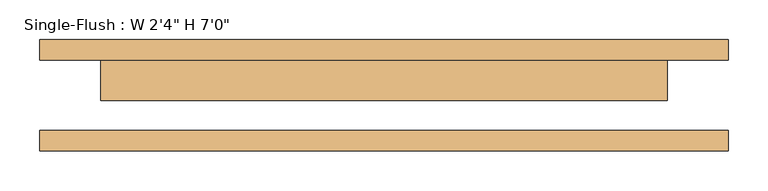
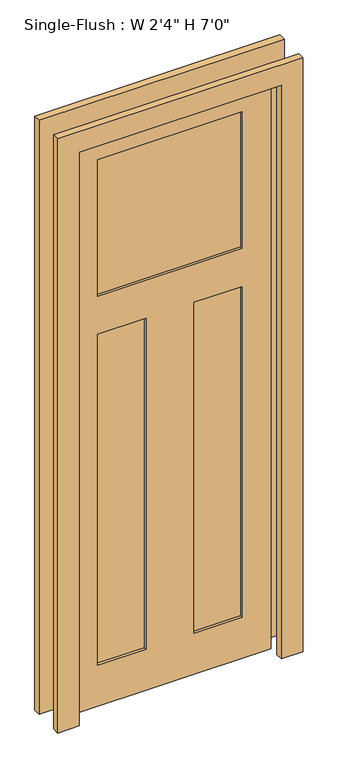
"""IFC4 building model written with IfcOpenShell, lengths in millimetres: door geometry."""

from ifc_helpers import new_model, si_unit, frame, origin, place, context, project, spatial, polyline, outline, extrude, faceted_brep, source, transform, mapped, element, save


def door_67fe9753(model_context):
    return source(origin(), model_context, "Body", "SolidModel", [
        faceted_brep([(355.6, -6.35, 2133.6), (-355.6, -6.35, 2133.6), (-355.6, -6.35, 0.0), (355.6, -6.35, 0.0), (254.0, -6.35, 2032.0), (254.0, -6.35, 1524.0), (-254.0, -6.35, 1524.0), (-254.0, -6.35, 2032.0), (-84.6666667, -6.35, 1382.3847826), (-84.6666667, -6.35, 152.4), (-254.0, -6.35, 152.4), (-254.0, -6.35, 1382.3847826), (84.6666667, -6.35, 1382.3847826), (254.0, -6.35, 1382.3847826), (254.0, -6.35, 152.4), (84.6666667, -6.35, 152.4), (355.6, 44.45, 2133.6), (355.6, 44.45, 0.0), (-355.6, 44.45, 0.0), (-355.6, 44.45, 2133.6), (254.0, 44.45, 1524.0), (254.0, 44.45, 2032.0), (-254.0, 44.45, 2032.0), (-254.0, 44.45, 1524.0), (-84.6666667, 44.45, 152.4), (-84.6666667, 44.45, 1382.3847826), (-254.0, 44.45, 1382.3847826), (-254.0, 44.45, 152.4), (254.0, 44.45, 1382.3847826), (84.6666667, 44.45, 1382.3847826), (84.6666667, 44.45, 152.4), (254.0, 44.45, 152.4), (254.0, 34.925, 1524.0), (254.0, 34.925, 2032.0), (-254.0, 34.925, 1524.0), (-254.0, 34.925, 2032.0), (-84.6666667, 34.925, 152.4), (-84.6666667, 34.925, 1382.3847826), (-254.0, 34.925, 152.4), (-254.0, 34.925, 1382.3847826), (254.0, 34.925, 1382.3847826), (84.6666667, 34.925, 1382.3847826), (254.0, 34.925, 152.4), (84.6666667, 34.925, 152.4), (254.0, 3.175, 2032.0), (-254.0, 3.175, 2032.0), (-254.0, 3.175, 1524.0), (254.0, 3.175, 1524.0), (-84.6666667, 3.175, 1382.3847826), (-254.0, 3.175, 1382.3847826), (-254.0, 3.175, 152.4), (-84.6666667, 3.175, 152.4), (84.6666667, 3.175, 1382.3847826), (84.6666667, 3.175, 152.4), (254.0, 3.175, 152.4), (254.0, 3.175, 1382.3847826)], [[[0, 1, 2, 3], [4, 5, 6, 7], [8, 9, 10, 11], [12, 13, 14, 15]], [[16, 17, 18, 19], [20, 21, 22, 23], [24, 25, 26, 27], [28, 29, 30, 31]], [[1, 0, 16, 19]], [[2, 1, 19, 18]], [[3, 2, 18, 17]], [[0, 3, 17, 16]], [[32, 33, 21, 20]], [[34, 32, 20, 23]], [[35, 34, 23, 22]], [[33, 35, 22, 21]], [[36, 37, 25, 24]], [[38, 36, 24, 27]], [[39, 38, 27, 26]], [[37, 39, 26, 25]], [[40, 41, 29, 28]], [[42, 40, 28, 31]], [[43, 42, 31, 30]], [[41, 43, 30, 29]], [[33, 32, 34, 35]], [[37, 36, 38, 39]], [[41, 40, 42, 43]], [[44, 45, 46, 47]], [[48, 49, 50, 51]], [[52, 53, 54, 55]], [[44, 47, 5, 4]], [[47, 46, 6, 5]], [[46, 45, 7, 6]], [[45, 44, 4, 7]], [[48, 51, 9, 8]], [[51, 50, 10, 9]], [[50, 49, 11, 10]], [[49, 48, 8, 11]], [[52, 55, 13, 12]], [[55, 54, 14, 13]], [[54, 53, 15, 14]], [[53, 52, 12, 15]]]),
        extrude(outline(polyline([(2209.8, -431.8), (0.0, -431.8), (0.0, -355.6), (2133.6, -355.6), (2133.6, 355.6), (0.0, 355.6), (0.0, 431.8), (2209.8, 431.8), (2209.8, -431.8)])), frame((0.0, 44.45, 0.0), z_axis=(0.0, 1.0, 0.0), x_axis=(0.0, 0.0, 1.0)), (0.0, 0.0, 1.0), 25.4),
        extrude(outline(polyline([(2209.8, 431.8), (2209.8, -431.8), (0.0, -431.8), (0.0, -355.6), (2133.6, -355.6), (2133.6, 355.6), (0.0, 355.6), (0.0, 431.8), (2209.8, 431.8)])), frame((0.0, -69.85, 0.0), z_axis=(0.0, 1.0, 0.0), x_axis=(0.0, 0.0, 1.0)), (0.0, 0.0, 1.0), 25.4),
    ])


if __name__ == "__main__":
    model = new_model("IFC4")
    model_context = context("Model", 3, world=origin())
    ifc_project = project(units=[si_unit("LENGTHUNIT", "METRE", prefix="MILLI")], contexts=[model_context])
    site = spatial("IfcSite", under=ifc_project)
    building = spatial("IfcBuilding", under=site)
    placement = place(None, origin())
    door_shape = door_67fe9753(model_context)
    element("IfcDoor", 1, ObjectType="Single-Flush : W 2'4\" H 7'0\"", at=placement, inside=building, context=model_context, shape_type="MappedRepresentation", body=[
        mapped(door_shape, transform((0.0, 0.0, 0.0), x_axis=(1.0, 0.0, 0.0), y_axis=(0.0, 1.0, 0.0), z_axis=(0.0, 0.0, 1.0))),
    ])
    save(model, "model.ifc")
